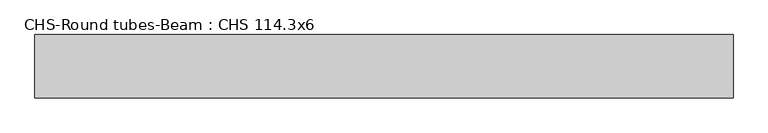
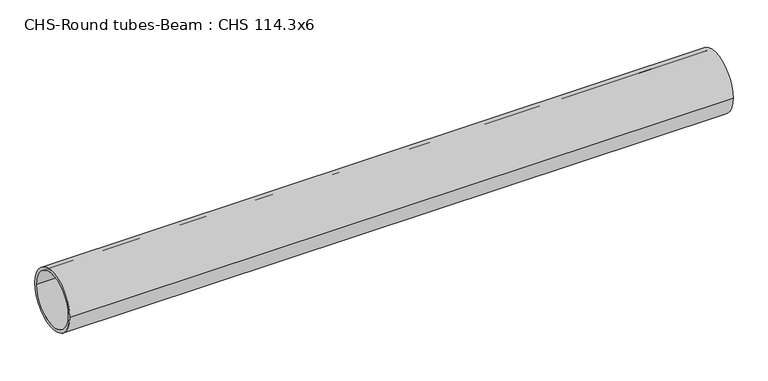
"""IFC4 building model written with IfcOpenShell, lengths in millimetres: beam geometry, CHS-Round tubes-Beam : CHS 114.3x6."""

from ifc_helpers import new_model, si_unit, point, frame, origin, origin_2d, place, context, project, spatial, circle_curve, trimmed, segment, composite_curve, outline, extrude, source, transform, mapped, element, save


def chs_round_tubes_beam_chs_114_3x6_ffb20eaa(model_context):
    return source(origin(), model_context, "Body", "SweptSolid", [
        extrude(outline(composite_curve([segment(trimmed(circle_curve(origin_2d(), 57.15), [point((57.15, 0.0))], [point((-57.15, 0.0))], False, "CARTESIAN"), True, "CONTINUOUS"), segment(trimmed(circle_curve(origin_2d(), 57.15), [point((-57.15, 0.0))], [point((57.15, 0.0))], False, "CARTESIAN"), True, "CONTINUOUS")], self_intersect=False), holes=[composite_curve([segment(trimmed(circle_curve(origin_2d(), 51.15), [point((51.15, 0.0))], [point((-51.15, 0.0))], True, "CARTESIAN"), True, "CONTINUOUS"), segment(trimmed(circle_curve(origin_2d(), 51.15), [point((-51.15, 0.0))], [point((51.15, 0.0))], True, "CARTESIAN"), True, "CONTINUOUS")], self_intersect=False)]), frame((-627.9729321, 0.0, 0.0), z_axis=(1.0, 0.0, 0.0), x_axis=(0.0, 1.0, 0.0)), (0.0, 0.0, 1.0), 1255.9460675),
    ])


if __name__ == "__main__":
    model = new_model("IFC4")
    model_context = context("Model", 3, world=origin())
    ifc_project = project(units=[si_unit("LENGTHUNIT", "METRE", prefix="MILLI")], contexts=[model_context])
    site = spatial("IfcSite", under=ifc_project)
    building = spatial("IfcBuilding", under=site)
    placement = place(None, origin())
    chs_round_tubes_beam_chs_114_3x6_shape = chs_round_tubes_beam_chs_114_3x6_ffb20eaa(model_context)
    element("IfcBeam", 1, ObjectType="CHS-Round tubes-Beam : CHS 114.3x6", at=placement, inside=building, context=model_context, shape_type="MappedRepresentation", body=[
        mapped(chs_round_tubes_beam_chs_114_3x6_shape, transform((0.0, 0.0, 0.0), x_axis=(1.0, 0.0, 0.0), y_axis=(0.0, 1.0, 0.0), z_axis=(0.0, 0.0, 1.0))),
    ])
    save(model, "model.ifc")
